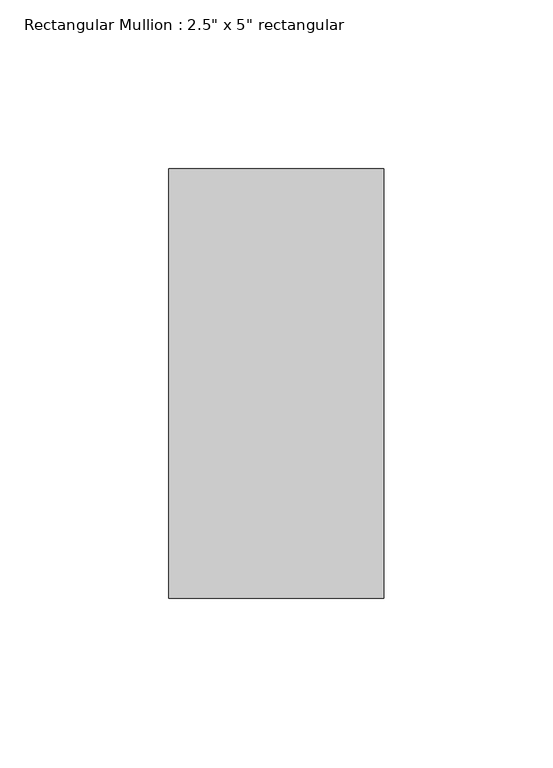
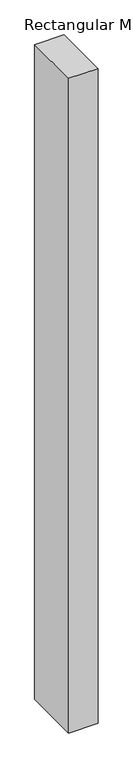
"""IFC4 building model written with IfcOpenShell, lengths in millimetres: member geometry."""

from ifc_helpers import new_model, si_unit, frame, origin, place, context, project, spatial, polyline, outline, extrude, source, transform, mapped, element, save


def member_0131f3aa(model_context):
    return source(origin(), model_context, "Body", "SweptSolid", [
        extrude(outline(polyline([(31.75, 63.5), (31.75, -63.5), (-31.75, -63.5), (-31.75, 63.5), (31.75, 63.5)])), frame((0.0, 0.0, -1492.25), z_axis=(0.0, 0.0, 1.0), x_axis=(1.0, 0.0, 0.0)), (0.0, 0.0, 1.0), 1492.25),
    ])


if __name__ == "__main__":
    model = new_model("IFC4")
    model_context = context("Model", 3, world=origin())
    ifc_project = project(units=[si_unit("LENGTHUNIT", "METRE", prefix="MILLI")], contexts=[model_context])
    site = spatial("IfcSite", under=ifc_project)
    building = spatial("IfcBuilding", under=site)
    placement = place(None, origin())
    member_shape = member_0131f3aa(model_context)
    element("IfcMember", 1, ObjectType="Rectangular Mullion : 2.5\" x 5\" rectangular", at=placement, inside=building, context=model_context, shape_type="MappedRepresentation", body=[
        mapped(member_shape, transform((0.0, 0.0, 0.0), x_axis=(1.0, 0.0, 0.0), y_axis=(0.0, 1.0, 0.0), z_axis=(0.0, 0.0, 1.0))),
    ])
    save(model, "model.ifc")
